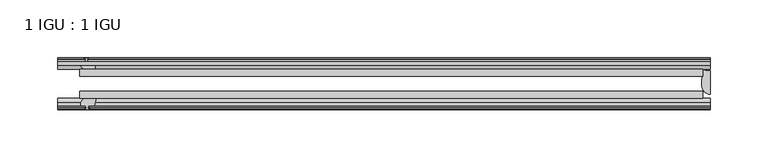
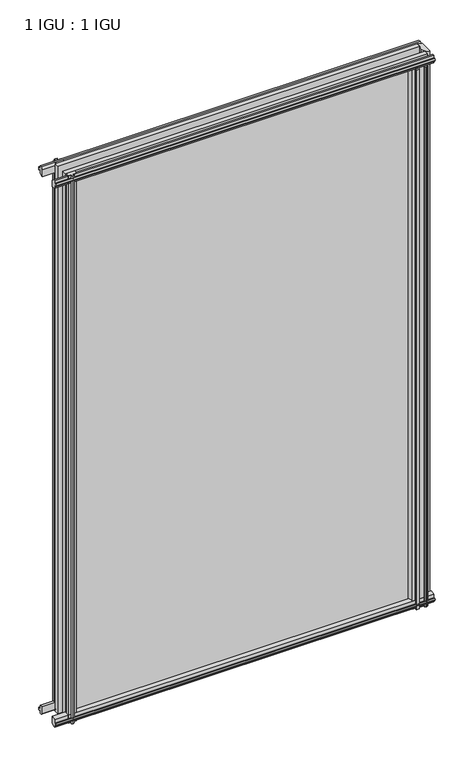
"""IFC4 building model written with IfcOpenShell, lengths in millimetres: plate geometry, 1 IGU : 1 IGU."""

from ifc_helpers import new_model, si_unit, point, frame, frame_2d, origin, place, context, project, spatial, polyline, circle_curve, ellipse_curve, trimmed, segment, composite_curve, outline, extrude, source, transform, mapped, element, save
from ifc_brep_helpers import plane_surface, cylinder_surface, revolved_surface, extruded_surface, advanced_brep


def plate_1_igu_1_igu_854aa7f3(model_context):
    return source(origin(), model_context, "Body", "SolidModel", [
        extrude(outline(polyline([(-263.531747, -38.6468937), (276.231747, -38.6468937), (276.231747, -44.9460938), (-263.531747, -44.9460938), (-263.531747, -38.6468937)])), frame((0.0, 0.0, -12.7), z_axis=(0.0, 0.0, 1.0), x_axis=(1.0, 0.0, 0.0)), (0.0, 0.0, 1.0), 863.5872996),
        extrude(outline(polyline([(-263.531747, -19.5460937), (276.231747, -19.5460937), (276.231747, -25.8960938), (-263.531747, -25.8960938), (-263.531747, -19.5460937)])), frame((0.0, 0.0, -12.7), z_axis=(0.0, 0.0, 1.0), x_axis=(1.0, 0.0, 0.0)), (0.0, 0.0, 1.0), 863.5872996),
        advanced_brep(
        [(282.581747, -21.1709383, -12.4587), (282.581747, -41.5384061, -12.4587), (275.0594098, -32.2460938, -12.4587), (276.231747, -25.8452938, -12.4587), (276.231747, -19.5460938, -12.4587), (282.581747, -21.1709383, 850.8872996), (276.231747, -19.5460938, 850.8872996), (276.231747, -25.8452938, 850.8872996), (275.0594098, -32.2460938, 850.8872996), (282.581747, -41.5384061, 850.8872996)],
        [
            (0, 1),
            (1, 2, ellipse_curve(frame((282.581747, -32.2460938, -12.4587), z_axis=(0.0, 0.0, -1.0), x_axis=(0.0, -1.0, 0.0)), 9.2923124, 7.5223371)),
            (2, 3, circle_curve(frame((293.1193233, -32.2460938, -12.4587), z_axis=(0.0, 0.0, -1.0), x_axis=(1.0, 0.0, 0.0)), 18.0599135)),
            (3, 4),
            (4, 0, circle_curve(frame((282.581747, -7.950406, -12.4587), z_axis=(0.0, 0.0, 1.0), x_axis=(1.0, 0.0, 0.0)), 13.2205323)),
            (5, 6, circle_curve(frame((282.581747, -7.950406, 850.8872996), z_axis=(0.0, 0.0, -1.0), x_axis=(1.0, 0.0, 0.0)), 13.2205323)),
            (6, 7),
            (7, 8, circle_curve(frame((293.1193233, -32.2460938, 850.8872996), z_axis=(0.0, 0.0, 1.0), x_axis=(1.0, 0.0, 0.0)), 18.0599135)),
            (8, 9, ellipse_curve(frame((282.581747, -32.2460938, 850.8872996), z_axis=(0.0, 0.0, 1.0), x_axis=(0.0, -1.0, 0.0)), 9.2923124, 7.5223371)),
            (9, 5),
            (1, 9),
            (8, 2),
            (7, 3),
            (6, 4),
            (5, 0),
        ],
        [
            plane_surface(frame((282.581747, -13.1960938, -12.4587), z_axis=(0.0, 0.0, -1.0), x_axis=(0.0, 1.0, 0.0))),
            plane_surface(frame((282.581747, -13.1960938, 850.8872996), z_axis=(0.0, 0.0, 1.0), x_axis=(0.0, 1.0, 0.0))),
            extruded_surface(trimmed(ellipse_curve(frame((282.581747, -32.2460938, 850.8872996), z_axis=(0.0, 0.0, -1.0), x_axis=(0.0, -1.0, 0.0)), 9.2923124, 7.5223371), [point((282.581747, -41.5384061, 850.8872996))], [point((275.0594098, -32.2460938, 850.8872996))], True, "CARTESIAN"), (0.0, 0.0, -863.3459996), 863.3459996),
            cylinder_surface(frame((293.1193233, -32.2460938, -12.4587), z_axis=(0.0, 0.0, -1.0), x_axis=(1.0, 0.0, 0.0)), 18.0599135),
            plane_surface(frame((276.231747, -25.8452938, -12.4587), z_axis=(-1.0, 0.0, 0.0), x_axis=(0.0, 0.0, 1.0))),
            revolved_surface(polyline([(295.8022793, -7.950406, 850.8872996), (295.8022793, -7.950406, -12.4587)]), (282.581747, -7.950406, -12.4587), (0.0, 0.0, 1.0)),
            plane_surface(frame((282.581747, -21.1709383, -12.4587), z_axis=(1.0, 0.0, 0.0), x_axis=(0.0, 0.0, 1.0))),
        ],
        [
            (0, [[1, 2, 3, 4, 5]]),
            (1, [[6, 7, 8, 9, 10]]),
            (2, [[-2, 11, -9, 12]]),
            (3, [[-3, -12, -8, 13]]),
            (4, [[-4, -13, -7, 14]]),
            (5, [[-5, -14, -6, 15]]),
            (6, [[-1, -15, -10, -11]]),
        ],
    ),
        extrude(outline(polyline([(-44.9460937, 1.7177181), (-44.9460937, -9.1036578), (-48.3496937, -11.938), (-51.2960937, -11.938), (-51.2960937, -7.493), (-53.6762907, -7.112), (-53.2163575, -8.5275291), (-54.0175717, -8.5275291), (-54.7250937, -6.35), (-54.0175717, -4.1724709), (-53.2163575, -4.1724709), (-53.6762907, -5.588), (-51.2960937, -5.207), (-51.2960937, 0.0), (-44.9460937, 1.7177181)])), frame((-282.581747, 0.0, 0.0), z_axis=(1.0, 0.0, 0.0), x_axis=(0.0, 1.0, 0.0)), (0.0, 0.0, 1.0), 565.1634939),
        extrude(outline(polyline([(-13.1960937, -12.4587), (-16.1424937, -12.4587), (-19.5460937, -9.6243578), (-19.5460937, 1.1970181), (-13.1960937, -0.5207), (-13.1960937, -5.7277), (-10.8158968, -6.1087), (-11.27583, -4.6931709), (-10.4746158, -4.6931709), (-9.7670937, -6.8707), (-10.4746158, -9.0482291), (-11.27583, -9.0482291), (-10.8158968, -7.6327), (-13.1960937, -8.0137), (-13.1960937, -12.4587)])), frame((-282.581747, 0.0, 0.0), z_axis=(1.0, 0.0, 0.0), x_axis=(0.0, 1.0, 0.0)), (0.0, 0.0, 1.0), 565.1634939),
        extrude(outline(polyline([(-51.2960937, 850.1252996), (-48.3496937, 850.1252996), (-44.9460937, 847.2909574), (-44.9460937, 836.4695815), (-51.2960937, 838.1872996), (-51.2960937, 843.3942996), (-53.6762907, 843.7752996), (-53.2163575, 842.3597706), (-54.0175717, 842.3597706), (-54.7250937, 844.5372996), (-54.0175717, 846.7148287), (-53.2163575, 846.7148287), (-53.6762907, 845.2992996), (-51.2960937, 845.6802996), (-51.2960937, 850.1252996)])), frame((-282.581747, 0.0, 0.0), z_axis=(1.0, 0.0, 0.0), x_axis=(0.0, 1.0, 0.0)), (0.0, 0.0, 1.0), 565.1634939),
        extrude(outline(polyline([(-19.5460937, 836.9902815), (-19.5460937, 847.8116574), (-16.1424937, 850.6459996), (-13.1960937, 850.6459996), (-13.1960937, 846.2009996), (-10.8158968, 845.8199996), (-11.27583, 847.2355287), (-10.4746158, 847.2355287), (-9.7670937, 845.0579996), (-10.4746158, 842.8804706), (-11.27583, 842.8804706), (-10.8158968, 844.2959996), (-13.1960937, 843.9149996), (-13.1960937, 838.7079996), (-19.5460937, 836.9902815)])), frame((-282.581747, 0.0, 0.0), z_axis=(1.0, 0.0, 0.0), x_axis=(0.0, 1.0, 0.0)), (0.0, 0.0, 1.0), 565.1634939),
        extrude(outline(composite_curve([segment(polyline([(273.0567471, -44.9460938), (273.0567471, -51.2960938), (271.4057471, -51.2960938), (271.4057471, -52.9470938), (272.4833778, -52.9470938)]), True, "CONTINUOUS"), segment(trimmed(circle_curve(frame_2d((271.4057471, -52.9470938)), 1.0776307), [point((272.4833778, -52.9470938))], [point((272.1677471, -53.7090938))], False, "CARTESIAN"), True, "CONTINUOUS"), segment(polyline([(272.1677471, -53.7090938), (270.4284547, -54.8194621)]), True, "CONTINUOUS"), segment(trimmed(circle_curve(frame_2d((269.8817471, -53.9630938)), 1.016), [point((270.4284547, -54.8194621))], [point((269.3350395, -54.8194621))], False, "CARTESIAN"), True, "CONTINUOUS"), segment(polyline([(269.3350395, -54.8194621), (267.5957471, -53.7090938)]), True, "CONTINUOUS"), segment(trimmed(circle_curve(frame_2d((268.3577471, -52.9470938)), 1.0776307), [point((267.5957471, -53.7090938))], [point((267.2801164, -52.9470938))], False, "CARTESIAN"), True, "CONTINUOUS"), segment(polyline([(267.2801164, -52.9470938), (268.3577471, -52.9470938), (268.3577471, -51.2960938), (259.2899471, -51.2960938)]), True, "CONTINUOUS"), segment(trimmed(circle_curve(frame_2d((259.2899471, -51.7532938)), 0.4572), [point((259.2899471, -51.2960938))], [point((258.9511293, -52.0602698))], True, "CARTESIAN"), True, "CONTINUOUS"), segment(trimmed(circle_curve(frame_2d((257.1817471, -53.663367)), 2.3876), [point((258.9511293, -52.0602698))], [point((259.2523901, -54.8520938))], False, "CARTESIAN"), True, "CONTINUOUS"), segment(polyline([(259.2523901, -54.8520938), (255.1111041, -54.8520938)]), True, "CONTINUOUS"), segment(trimmed(circle_curve(frame_2d((257.1817471, -53.663367)), 2.3876), [point((255.1111041, -54.8520938))], [point((255.412365, -52.0602698))], False, "CARTESIAN"), True, "CONTINUOUS"), segment(trimmed(circle_curve(frame_2d((255.0735471, -51.7532938)), 0.4572), [point((255.412365, -52.0602698))], [point((255.0735471, -51.2960938))], True, "CARTESIAN"), True, "CONTINUOUS"), segment(polyline([(255.0735471, -51.2960938), (250.8317471, -51.2960938)]), True, "CONTINUOUS"), segment(trimmed(circle_curve(frame_2d((241.8158156, -51.9750196)), 9.0414579), [point((250.8317471, -51.2960938))], [point((247.5028326, -44.9460938))], True, "CARTESIAN"), True, "CONTINUOUS"), segment(polyline([(247.5028326, -44.9460938), (273.0567471, -44.9460938)]), True, "CONTINUOUS")], self_intersect=False)), frame((0.0, 0.0, -12.7), z_axis=(0.0, 0.0, 1.0), x_axis=(1.0, 0.0, 0.0)), (0.0, 0.0, 1.0), 850.8872996),
        extrude(outline(polyline([(-257.702447, -9.7670937), (-255.5249179, -10.4746158), (-255.5249179, -11.27583), (-256.940447, -10.8158968), (-256.559447, -13.1960937), (-251.352447, -13.1960937), (-249.6347289, -19.5460937), (-260.4561048, -19.5460937), (-263.290447, -16.1424937), (-263.290447, -13.1960937), (-258.845447, -13.1960937), (-258.464447, -10.8158968), (-259.879976, -11.27583), (-259.879976, -10.4746158), (-257.702447, -9.7670937)])), frame((0.0, 0.0, -12.7), z_axis=(0.0, 0.0, 1.0), x_axis=(1.0, 0.0, 0.0)), (0.0, 0.0, 1.0), 863.5872998),
        extrude(outline(polyline([(-262.769747, -48.3496937), (-259.9354048, -44.9460937), (-249.1140289, -44.9460937), (-250.831747, -51.2960937), (-256.038747, -51.2960937), (-256.419747, -53.6762907), (-255.0042179, -53.2163575), (-255.0042179, -54.0175717), (-257.181747, -54.7250937), (-259.359276, -54.0175717), (-259.359276, -53.2163575), (-257.943747, -53.6762907), (-258.324747, -51.2960937), (-262.769747, -51.2960937), (-262.769747, -48.3496937)])), frame((0.0, 0.0, -12.7), z_axis=(0.0, 0.0, 1.0), x_axis=(1.0, 0.0, 0.0)), (0.0, 0.0, 1.0), 863.5872998),
    ])


if __name__ == "__main__":
    model = new_model("IFC4")
    model_context = context("Model", 3, world=origin())
    ifc_project = project(units=[si_unit("LENGTHUNIT", "METRE", prefix="MILLI")], contexts=[model_context])
    site = spatial("IfcSite", under=ifc_project)
    building = spatial("IfcBuilding", under=site)
    placement = place(None, origin())
    plate_1_igu_1_igu_shape = plate_1_igu_1_igu_854aa7f3(model_context)
    element("IfcPlate", 1, ObjectType="1 IGU : 1 IGU", at=placement, inside=building, context=model_context, shape_type="MappedRepresentation", body=[
        mapped(plate_1_igu_1_igu_shape, transform((0.0, 0.0, 0.0), x_axis=(1.0, 0.0, 0.0), y_axis=(0.0, 1.0, 0.0), z_axis=(0.0, 0.0, 1.0))),
    ])
    save(model, "model.ifc")
